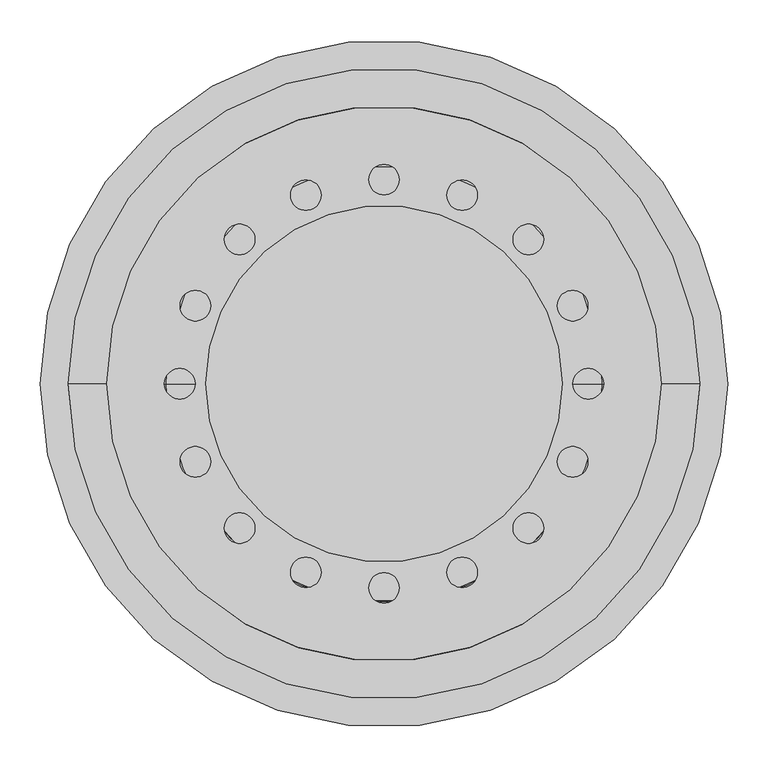
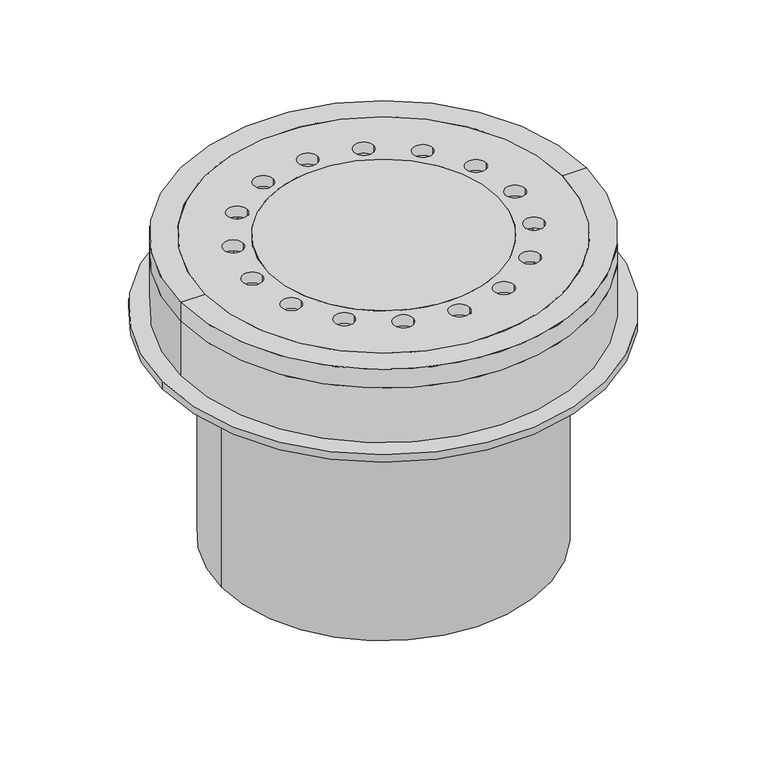
"""IFC4 building model written with IfcOpenShell, lengths in millimetres: proxy geometry."""

from ifc_helpers import new_model, si_unit, point, frame, frame_2d, origin, origin_2d, place, context, project, spatial, polyline, circle_curve, trimmed, segment, composite_curve, outline, extrude, source, transform, mapped, element, save
from ifc_brep_helpers import plane_surface, cylinder_surface, revolved_surface, advanced_brep


def specialty_equipment_1d14676d(model_context):
    return source(origin(), model_context, "Body", "SolidModel", [
        extrude(outline(composite_curve([segment(trimmed(circle_curve(origin_2d(), 427.5), [point((-427.5, 0.0))], [point((427.5, 0.0))], False, "CARTESIAN"), True, "CONTINUOUS"), segment(trimmed(circle_curve(origin_2d(), 427.5), [point((427.5, 0.0))], [point((-427.5, 0.0))], False, "CARTESIAN"), True, "CONTINUOUS")], self_intersect=False), holes=[composite_curve([segment(trimmed(circle_curve(origin_2d(), 300.0), [point((-300.0, 0.0))], [point((300.0, 0.0))], True, "CARTESIAN"), True, "CONTINUOUS"), segment(trimmed(circle_curve(origin_2d(), 300.0), [point((300.0, 0.0))], [point((-300.0, 0.0))], True, "CARTESIAN"), True, "CONTINUOUS")], self_intersect=False)]), frame((0.0, 0.0, -164.9500624), z_axis=(0.0, 0.0, 1.0), x_axis=(1.0, 0.0, 0.0)), (0.0, 0.0, 1.0), 14.9500624),
        extrude(outline(composite_curve([segment(trimmed(circle_curve(origin_2d(), 313.0), [point((-313.0, 0.0))], [point((313.0, 0.0))], False, "CARTESIAN"), True, "CONTINUOUS"), segment(trimmed(circle_curve(origin_2d(), 313.0), [point((313.0, 0.0))], [point((-313.0, 0.0))], False, "CARTESIAN"), True, "CONTINUOUS")], self_intersect=False), holes=[composite_curve([segment(trimmed(circle_curve(origin_2d(), 300.0), [point((-300.0, 0.0))], [point((300.0, 0.0))], True, "CARTESIAN"), True, "CONTINUOUS"), segment(trimmed(circle_curve(origin_2d(), 300.0), [point((300.0, 0.0))], [point((-300.0, 0.0))], True, "CARTESIAN"), True, "CONTINUOUS")], self_intersect=False)]), frame((0.0, 0.0, -610.0), z_axis=(0.0, 0.0, 1.0), x_axis=(1.0, 0.0, 0.0)), (0.0, 0.0, 1.0), 445.0499376),
        extrude(outline(composite_curve([segment(trimmed(circle_curve(origin_2d(), 427.5), [point((-427.5, 0.0))], [point((427.5, 0.0))], False, "CARTESIAN"), True, "CONTINUOUS"), segment(trimmed(circle_curve(origin_2d(), 427.5), [point((427.5, 0.0))], [point((-427.5, 0.0))], False, "CARTESIAN"), True, "CONTINUOUS")], self_intersect=False), holes=[composite_curve([segment(trimmed(circle_curve(origin_2d(), 300.0), [point((-300.0, 0.0))], [point((300.0, 0.0))], True, "CARTESIAN"), True, "CONTINUOUS"), segment(trimmed(circle_curve(origin_2d(), 300.0), [point((300.0, 0.0))], [point((-300.0, 0.0))], True, "CARTESIAN"), True, "CONTINUOUS")], self_intersect=False)]), frame((0.0, 0.0, -164.9500624), z_axis=(0.0, 0.0, 1.0), x_axis=(1.0, 0.0, 0.0)), (0.0, 0.0, 1.0), 14.9500624),
        extrude(outline(composite_curve([segment(trimmed(circle_curve(origin_2d(), 221.5), [point((-221.5, 0.0))], [point((221.5, 0.0))], False, "CARTESIAN"), True, "CONTINUOUS"), segment(trimmed(circle_curve(origin_2d(), 221.5), [point((221.5, 0.0))], [point((-221.5, 0.0))], False, "CARTESIAN"), True, "CONTINUOUS")], self_intersect=False)), frame((0.0, 0.0, -21.8781268), z_axis=(0.0, 0.0, 1.0), x_axis=(1.0, 0.0, 0.0)), (0.0, 0.0, 1.0), 21.8781268),
        extrude(outline(composite_curve([segment(trimmed(circle_curve(origin_2d(), 345.0), [point((-345.0, 0.0))], [point((345.0, 0.0))], False, "CARTESIAN"), True, "CONTINUOUS"), segment(trimmed(circle_curve(origin_2d(), 345.0), [point((345.0, 0.0))], [point((-345.0, 0.0))], False, "CARTESIAN"), True, "CONTINUOUS")], self_intersect=False), holes=[composite_curve([segment(trimmed(circle_curve(origin_2d(), 221.5), [point((-221.5, 0.0))], [point((221.5, 0.0))], True, "CARTESIAN"), True, "CONTINUOUS"), segment(trimmed(circle_curve(origin_2d(), 221.5), [point((221.5, 0.0))], [point((-221.5, 0.0))], True, "CARTESIAN"), True, "CONTINUOUS")], self_intersect=False), composite_curve([segment(trimmed(circle_curve(frame_2d((-254.0, 0.0)), 19.0), [point((-273.0, 0.0))], [point((-235.0, 0.0))], True, "CARTESIAN"), True, "CONTINUOUS"), segment(trimmed(circle_curve(frame_2d((-254.0, 0.0)), 19.0), [point((-235.0, 0.0))], [point((-273.0, 0.0))], True, "CARTESIAN"), True, "CONTINUOUS")], self_intersect=False), composite_curve([segment(trimmed(circle_curve(frame_2d((-234.6654013, 97.2015918)), 19.0), [point((-253.6654013, 97.2015918))], [point((-215.6654013, 97.2015918))], True, "CARTESIAN"), True, "CONTINUOUS"), segment(trimmed(circle_curve(frame_2d((-234.6654013, 97.2015918)), 19.0), [point((-215.6654013, 97.2015918))], [point((-253.6654013, 97.2015918))], True, "CARTESIAN"), True, "CONTINUOUS")], self_intersect=False), composite_curve([segment(trimmed(circle_curve(frame_2d((-179.6051224, 179.6051224)), 19.0), [point((-198.6051224, 179.6051224))], [point((-160.6051224, 179.6051224))], True, "CARTESIAN"), True, "CONTINUOUS"), segment(trimmed(circle_curve(frame_2d((-179.6051224, 179.6051224)), 19.0), [point((-160.6051224, 179.6051224))], [point((-198.6051224, 179.6051224))], True, "CARTESIAN"), True, "CONTINUOUS")], self_intersect=False), composite_curve([segment(trimmed(circle_curve(frame_2d((-234.6654013, -97.2015918)), 19.0), [point((-253.6654013, -97.2015918))], [point((-215.6654013, -97.2015918))], True, "CARTESIAN"), True, "CONTINUOUS"), segment(trimmed(circle_curve(frame_2d((-234.6654013, -97.2015918)), 19.0), [point((-215.6654013, -97.2015918))], [point((-253.6654013, -97.2015918))], True, "CARTESIAN"), True, "CONTINUOUS")], self_intersect=False), composite_curve([segment(trimmed(circle_curve(frame_2d((-179.6051224, -179.6051224)), 19.0), [point((-198.6051224, -179.6051224))], [point((-160.6051224, -179.6051224))], True, "CARTESIAN"), True, "CONTINUOUS"), segment(trimmed(circle_curve(frame_2d((-179.6051224, -179.6051224)), 19.0), [point((-160.6051224, -179.6051224))], [point((-198.6051224, -179.6051224))], True, "CARTESIAN"), True, "CONTINUOUS")], self_intersect=False), composite_curve([segment(trimmed(circle_curve(frame_2d((-97.2015918, -234.6654013)), 19.0), [point((-116.2015918, -234.6654013))], [point((-78.2015918, -234.6654013))], True, "CARTESIAN"), True, "CONTINUOUS"), segment(trimmed(circle_curve(frame_2d((-97.2015918, -234.6654013)), 19.0), [point((-78.2015918, -234.6654013))], [point((-116.2015918, -234.6654013))], True, "CARTESIAN"), True, "CONTINUOUS")], self_intersect=False), composite_curve([segment(trimmed(circle_curve(frame_2d((0.0, -254.0)), 19.0), [point((-19.0, -254.0))], [point((19.0, -254.0))], True, "CARTESIAN"), True, "CONTINUOUS"), segment(trimmed(circle_curve(frame_2d((0.0, -254.0)), 19.0), [point((19.0, -254.0))], [point((-19.0, -254.0))], True, "CARTESIAN"), True, "CONTINUOUS")], self_intersect=False), composite_curve([segment(trimmed(circle_curve(frame_2d((97.2015918, -234.6654013)), 19.0), [point((78.2015918, -234.6654013))], [point((116.2015918, -234.6654013))], True, "CARTESIAN"), True, "CONTINUOUS"), segment(trimmed(circle_curve(frame_2d((97.2015918, -234.6654013)), 19.0), [point((116.2015918, -234.6654013))], [point((78.2015918, -234.6654013))], True, "CARTESIAN"), True, "CONTINUOUS")], self_intersect=False), composite_curve([segment(trimmed(circle_curve(frame_2d((179.6051224, -179.6051224)), 19.0), [point((160.6051224, -179.6051224))], [point((198.6051224, -179.6051224))], True, "CARTESIAN"), True, "CONTINUOUS"), segment(trimmed(circle_curve(frame_2d((179.6051224, -179.6051224)), 19.0), [point((198.6051224, -179.6051224))], [point((160.6051224, -179.6051224))], True, "CARTESIAN"), True, "CONTINUOUS")], self_intersect=False), composite_curve([segment(trimmed(circle_curve(frame_2d((234.6654013, -97.2015918)), 19.0), [point((215.6654013, -97.2015918))], [point((253.6654013, -97.2015918))], True, "CARTESIAN"), True, "CONTINUOUS"), segment(trimmed(circle_curve(frame_2d((234.6654013, -97.2015918)), 19.0), [point((253.6654013, -97.2015918))], [point((215.6654013, -97.2015918))], True, "CARTESIAN"), True, "CONTINUOUS")], self_intersect=False), composite_curve([segment(trimmed(circle_curve(frame_2d((254.0, 0.0)), 19.0), [point((235.0, 0.0))], [point((273.0, 0.0))], True, "CARTESIAN"), True, "CONTINUOUS"), segment(trimmed(circle_curve(frame_2d((254.0, 0.0)), 19.0), [point((273.0, 0.0))], [point((235.0, 0.0))], True, "CARTESIAN"), True, "CONTINUOUS")], self_intersect=False), composite_curve([segment(trimmed(circle_curve(frame_2d((234.6654013, 97.2015918)), 19.0), [point((215.6654013, 97.2015918))], [point((253.6654013, 97.2015918))], True, "CARTESIAN"), True, "CONTINUOUS"), segment(trimmed(circle_curve(frame_2d((234.6654013, 97.2015918)), 19.0), [point((253.6654013, 97.2015918))], [point((215.6654013, 97.2015918))], True, "CARTESIAN"), True, "CONTINUOUS")], self_intersect=False), composite_curve([segment(trimmed(circle_curve(frame_2d((179.6051224, 179.6051224)), 19.0), [point((160.6051224, 179.6051224))], [point((198.6051224, 179.6051224))], True, "CARTESIAN"), True, "CONTINUOUS"), segment(trimmed(circle_curve(frame_2d((179.6051224, 179.6051224)), 19.0), [point((198.6051224, 179.6051224))], [point((160.6051224, 179.6051224))], True, "CARTESIAN"), True, "CONTINUOUS")], self_intersect=False), composite_curve([segment(trimmed(circle_curve(frame_2d((97.2015918, 234.6654013)), 19.0), [point((78.2015918, 234.6654013))], [point((116.2015918, 234.6654013))], True, "CARTESIAN"), True, "CONTINUOUS"), segment(trimmed(circle_curve(frame_2d((97.2015918, 234.6654013)), 19.0), [point((116.2015918, 234.6654013))], [point((78.2015918, 234.6654013))], True, "CARTESIAN"), True, "CONTINUOUS")], self_intersect=False), composite_curve([segment(trimmed(circle_curve(frame_2d((0.0, 254.0)), 19.0), [point((-19.0, 254.0))], [point((19.0, 254.0))], True, "CARTESIAN"), True, "CONTINUOUS"), segment(trimmed(circle_curve(frame_2d((0.0, 254.0)), 19.0), [point((19.0, 254.0))], [point((-19.0, 254.0))], True, "CARTESIAN"), True, "CONTINUOUS")], self_intersect=False), composite_curve([segment(trimmed(circle_curve(frame_2d((-97.2015918, 234.6654013)), 19.0), [point((-116.2015918, 234.6654013))], [point((-78.2015918, 234.6654013))], True, "CARTESIAN"), True, "CONTINUOUS"), segment(trimmed(circle_curve(frame_2d((-97.2015918, 234.6654013)), 19.0), [point((-78.2015918, 234.6654013))], [point((-116.2015918, 234.6654013))], True, "CARTESIAN"), True, "CONTINUOUS")], self_intersect=False)]), frame((0.0, 0.0, -21.8781268), z_axis=(0.0, 0.0, 1.0), x_axis=(1.0, 0.0, 0.0)), (0.0, 0.0, 1.0), 21.8781268),
        advanced_brep(
        [(0.0, 0.0, -233.7273458), (-275.0411357, 0.0, -233.7273458), (275.0411357, 0.0, -233.7273458), (298.3348498, 0.0, -146.7940215), (-298.3348498, 0.0, -146.7940215), (-293.1584688, 0.0, -146.7940215), (293.1584688, 0.0, -146.7940215), (271.2045008, 0.0, -228.7273458), (-271.2045008, 0.0, -228.7273458), (0.0, 0.0, -228.7273458)],
        [
            (0, 1),
            (1, 2, circle_curve(frame((0.0, 0.0, -233.7273458), z_axis=(0.0, 0.0, -1.0), x_axis=(-1.0, 0.0, 0.0)), 275.0411357)),
            (2, 0),
            (2, 1, circle_curve(frame((0.0, 0.0, -233.7273458), z_axis=(0.0, 0.0, -1.0), x_axis=(-1.0, 0.0, 0.0)), 275.0411357)),
            (3, 4, circle_curve(frame((0.0, 0.0, -146.7940215), z_axis=(0.0, 0.0, 1.0), x_axis=(-1.0, 0.0, 0.0)), 298.3348498)),
            (4, 5),
            (5, 6, circle_curve(frame((0.0, 0.0, -146.7940215), z_axis=(0.0, 0.0, -1.0), x_axis=(-1.0, 0.0, 0.0)), 293.1584688)),
            (6, 3),
            (4, 3, circle_curve(frame((0.0, 0.0, -146.7940215), z_axis=(0.0, 0.0, 1.0), x_axis=(-1.0, 0.0, 0.0)), 298.3348498)),
            (6, 5, circle_curve(frame((0.0, 0.0, -146.7940215), z_axis=(0.0, 0.0, -1.0), x_axis=(-1.0, 0.0, 0.0)), 293.1584688)),
            (1, 4),
            (3, 2),
            (7, 8, circle_curve(frame((0.0, 0.0, -228.7273458), z_axis=(0.0, 0.0, 1.0), x_axis=(-1.0, 0.0, 0.0)), 271.2045008)),
            (8, 9),
            (9, 7),
            (8, 7, circle_curve(frame((0.0, 0.0, -228.7273458), z_axis=(0.0, 0.0, 1.0), x_axis=(-1.0, 0.0, 0.0)), 271.2045008)),
            (5, 8),
            (7, 6),
        ],
        [
            plane_surface(frame((0.0, 0.0, -233.7273458), z_axis=(0.0, 0.0, -1.0), x_axis=(-1.0, 0.0, 0.0))),
            plane_surface(frame((0.0, 0.0, -146.7940215), z_axis=(0.0, 0.0, 1.0), x_axis=(-1.0, 0.0, 0.0))),
            revolved_surface(polyline([(-298.3348498, 0.0, -146.7940215), (-275.0411357, 0.0, -233.7273458)]), (0.0, 0.0, -273.7273458), (0.0, 0.0, -1.0)),
            plane_surface(frame((0.0, 0.0, -228.7273458), z_axis=(0.0, 0.0, 1.0), x_axis=(-1.0, 0.0, 0.0))),
            revolved_surface(polyline([(-271.2045008, 0.0, -228.7273458), (-293.1584688, 0.0, -146.7940215)]), (0.0, 0.0, -273.7273458), (0.0, 0.0, -1.0)),
        ],
        [
            (0, [[1, 2, 3]]),
            (0, [[-3, 4, -1]]),
            (1, [[5, 6, 7, 8]]),
            (1, [[9, -8, 10, -6]]),
            (2, [[-2, 11, -5, 12]]),
            (2, [[-4, -12, -9, -11]]),
            (3, [[13, 14, 15]]),
            (3, [[16, -15, -14]]),
            (4, [[-7, 17, -13, 18]]),
            (4, [[-10, -18, -16, -17]]),
        ],
    ),
        advanced_brep(
        [(392.5, 0.0, -38.0), (-392.5, 0.0, -38.0), (-392.5, 0.0, 0.0), (392.5, 0.0, 0.0), (345.414625, 0.0, -38.0), (-345.414625, 0.0, -38.0), (-345.414625, 0.0, 0.0), (345.414625, 0.0, 0.0)],
        [
            (0, 1, circle_curve(frame((0.0, 0.0, -38.0), z_axis=(0.0, 0.0, 1.0), x_axis=(-1.0, 0.0, 0.0)), 392.5)),
            (1, 2),
            (2, 3, circle_curve(frame((0.0, 0.0, 0.0), z_axis=(0.0, 0.0, -1.0), x_axis=(-1.0, 0.0, 0.0)), 392.5)),
            (3, 0),
            (1, 0, circle_curve(frame((0.0, 0.0, -38.0), z_axis=(0.0, 0.0, 1.0), x_axis=(-1.0, 0.0, 0.0)), 392.5)),
            (3, 2, circle_curve(frame((0.0, 0.0, 0.0), z_axis=(0.0, 0.0, -1.0), x_axis=(-1.0, 0.0, 0.0)), 392.5)),
            (4, 5, circle_curve(frame((0.0, 0.0, -38.0), z_axis=(0.0, 0.0, 1.0), x_axis=(-1.0, 0.0, 0.0)), 345.414625)),
            (5, 1),
            (0, 4),
            (5, 4, circle_curve(frame((0.0, 0.0, -38.0), z_axis=(0.0, 0.0, 1.0), x_axis=(-1.0, 0.0, 0.0)), 345.414625)),
            (2, 6),
            (6, 7, circle_curve(frame((0.0, 0.0, 0.0), z_axis=(0.0, 0.0, -1.0), x_axis=(-1.0, 0.0, 0.0)), 345.414625)),
            (7, 3),
            (7, 6, circle_curve(frame((0.0, 0.0, 0.0), z_axis=(0.0, 0.0, -1.0), x_axis=(-1.0, 0.0, 0.0)), 345.414625)),
            (6, 5),
            (4, 7),
        ],
        [
            cylinder_surface(frame((0.0, 0.0, 417.0), z_axis=(0.0, 0.0, -1.0), x_axis=(-1.0, 0.0, 0.0)), 392.5),
            plane_surface(frame((0.0, 0.0, -38.0), z_axis=(0.0, 0.0, -1.0), x_axis=(-1.0, 0.0, 0.0))),
            plane_surface(frame((0.0, 0.0, 0.0), z_axis=(0.0, 0.0, 1.0), x_axis=(-1.0, 0.0, 0.0))),
            revolved_surface(polyline([(-345.414625, 0.0, -38.0), (-345.414625, 0.0, 0.0)]), (0.0, 0.0, 417.0), (0.0, 0.0, -1.0)),
        ],
        [
            (0, [[1, 2, 3, 4]]),
            (0, [[5, -4, 6, -2]]),
            (1, [[7, 8, -1, 9]]),
            (1, [[10, -9, -5, -8]]),
            (2, [[-3, 11, 12, 13]]),
            (2, [[-6, -13, 14, -11]]),
            (3, [[-12, 15, -7, 16]]),
            (3, [[-14, -16, -10, -15]]),
        ],
    ),
        advanced_brep(
        [(392.5, 0.0, -150.0), (-392.5, 0.0, -150.0), (-392.5, 0.0, -38.0), (392.5, 0.0, -38.0), (313.9173801, 0.0, -150.0), (-313.9173801, 0.0, -150.0), (313.9173801, 0.0, -119.9866175), (-313.9173801, 0.0, -119.9866175), (328.9173801, 0.0, -119.9866175), (-328.9173801, 0.0, -119.9866175), (345.414625, 0.0, -38.0), (-345.414625, 0.0, -38.0)],
        [
            (0, 1, circle_curve(frame((0.0, 0.0, -150.0), z_axis=(0.0, 0.0, 1.0), x_axis=(-1.0, 0.0, 0.0)), 392.5)),
            (1, 2),
            (2, 3, circle_curve(frame((0.0, 0.0, -38.0), z_axis=(0.0, 0.0, -1.0), x_axis=(-1.0, 0.0, 0.0)), 392.5)),
            (3, 0),
            (1, 0, circle_curve(frame((0.0, 0.0, -150.0), z_axis=(0.0, 0.0, 1.0), x_axis=(-1.0, 0.0, 0.0)), 392.5)),
            (3, 2, circle_curve(frame((0.0, 0.0, -38.0), z_axis=(0.0, 0.0, -1.0), x_axis=(-1.0, 0.0, 0.0)), 392.5)),
            (4, 5, circle_curve(frame((0.0, 0.0, -150.0), z_axis=(0.0, 0.0, 1.0), x_axis=(-1.0, 0.0, 0.0)), 313.9173801)),
            (5, 1),
            (0, 4),
            (5, 4, circle_curve(frame((0.0, 0.0, -150.0), z_axis=(0.0, 0.0, 1.0), x_axis=(-1.0, 0.0, 0.0)), 313.9173801)),
            (6, 7, circle_curve(frame((0.0, 0.0, -119.9866175), z_axis=(0.0, 0.0, 1.0), x_axis=(-1.0, 0.0, 0.0)), 313.9173801)),
            (7, 5),
            (4, 6),
            (7, 6, circle_curve(frame((0.0, 0.0, -119.9866175), z_axis=(0.0, 0.0, 1.0), x_axis=(-1.0, 0.0, 0.0)), 313.9173801)),
            (8, 9, circle_curve(frame((0.0, 0.0, -119.9866175), z_axis=(0.0, 0.0, 1.0), x_axis=(-1.0, 0.0, 0.0)), 328.9173801)),
            (9, 7),
            (6, 8),
            (9, 8, circle_curve(frame((0.0, 0.0, -119.9866175), z_axis=(0.0, 0.0, 1.0), x_axis=(-1.0, 0.0, 0.0)), 328.9173801)),
            (10, 11, circle_curve(frame((0.0, 0.0, -38.0), z_axis=(0.0, 0.0, 1.0), x_axis=(-1.0, 0.0, 0.0)), 345.414625)),
            (11, 9),
            (8, 10),
            (11, 10, circle_curve(frame((0.0, 0.0, -38.0), z_axis=(0.0, 0.0, 1.0), x_axis=(-1.0, 0.0, 0.0)), 345.414625)),
            (2, 11),
            (10, 3),
        ],
        [
            cylinder_surface(frame((0.0, 0.0, 340.0), z_axis=(0.0, 0.0, -1.0), x_axis=(-1.0, 0.0, 0.0)), 392.5),
            plane_surface(frame((0.0, 0.0, -150.0), z_axis=(0.0, 0.0, -1.0), x_axis=(-1.0, 0.0, 0.0))),
            revolved_surface(polyline([(-313.9173801, 0.0, -150.0), (-313.9173801, 0.0, -119.98661749999997)]), (0.0, 0.0, 340.0), (0.0, 0.0, -1.0)),
            plane_surface(frame((0.0, 0.0, -119.9866175), z_axis=(0.0, 0.0, 1.0), x_axis=(-1.0, 0.0, 0.0))),
            revolved_surface(polyline([(-328.9173801, 0.0, -119.9866175), (-345.414625, 0.0, -38.0)]), (0.0, 0.0, 340.0), (0.0, 0.0, -1.0)),
            plane_surface(frame((0.0, 0.0, -38.0), z_axis=(0.0, 0.0, 1.0), x_axis=(-1.0, 0.0, 0.0))),
        ],
        [
            (0, [[1, 2, 3, 4]]),
            (0, [[5, -4, 6, -2]]),
            (1, [[7, 8, -1, 9]]),
            (1, [[10, -9, -5, -8]]),
            (2, [[11, 12, -7, 13]]),
            (2, [[14, -13, -10, -12]]),
            (3, [[15, 16, -11, 17]]),
            (3, [[18, -17, -14, -16]]),
            (4, [[19, 20, -15, 21]]),
            (4, [[22, -21, -18, -20]]),
            (5, [[-3, 23, -19, 24]]),
            (5, [[-6, -24, -22, -23]]),
        ],
    ),
        extrude(outline(polyline([(0.0, 0.0), (103.6001835, 0.0), (97.7366644, -23.939106), (0.0, 0.0)])), frame((-395.4623133, -121.3292977, -164.9500624), z_axis=(-0.2817325568411387, 0.959492973614583, 0.0), x_axis=(0.9319450222341505, 0.27364374848967477, -0.2379024473298002)), (0.0, 0.0, 1.0), 10.0),
        extrude(outline(polyline([(100.6257242, 0.0), (0.0, -24.6467372), (0.0, 0.0), (100.6257242, 0.0)])), frame((-201.1926619, -239.8239204, -164.9500624), z_axis=(-0.7557495743540761, 0.6548607339454953, 0.0), x_axis=(-0.6548607339454953, -0.7557495743540761, 0.0)), (0.0, 0.0, 1.0), 10.0),
        extrude(outline(polyline([(42.0990731, 0.0), (42.0990731, -100.6257242), (17.0491355, 0.0), (42.0990731, 0.0)])), frame((-260.6091517, -173.4268435, -207.0491355), z_axis=(-0.5406408174553543, 0.8412535328313376, 0.0), x_axis=(0.0, 0.0, 1.0)), (0.0, 0.0, 1.0), 10.0),
        extrude(outline(polyline([(42.0990731, 0.0), (42.0990731, -100.6257242), (17.0491355, 0.0), (42.0990731, 0.0)])), frame((-125.4767391, -286.7918896, -207.0491355), z_axis=(-0.9096319953544103, 0.41541501300212325, 0.0), x_axis=(0.0, 0.0, 1.0)), (0.0, 0.0, 1.0), 10.0),
        extrude(outline(polyline([(0.0, 0.0), (103.6001836, 0.0), (97.7366645, -23.9391061), (0.0, 0.0)])), frame((-53.9159708, -410.127185, -164.9500624), z_axis=(-0.989821441880898, 0.14231483827352703, 0.0), x_axis=(0.1382288445734335, 0.9614027314722929, -0.23790244732979932)), (0.0, 0.0, 1.0), 10.0),
        extrude(outline(polyline([(-164.9500624, 413.6257242), (-164.9500624, 313.0), (-189.5967996, 313.0), (-164.9500624, 413.6257242)])), frame((0.0, -5.0, 0.0), z_axis=(0.0, 1.0, 0.0), x_axis=(0.0, 0.0, 1.0)), (0.0, 0.0, 1.0), 10.0),
        extrude(outline(polyline([(-42.0990731, 0.0), (-17.0491355, 0.0), (-42.0990731, -100.6257243), (-42.0990731, 0.0)])), frame((301.7299635, 83.3848254, -207.0491355), z_axis=(-0.2817325568412944, 0.9594929736145372, 0.0), x_axis=(0.0, 0.0, -1.0)), (0.0, 0.0, 1.0), 10.0),
        extrude(outline(polyline([(0.0, 0.0), (-97.7366644, -23.9391061), (-103.6001835, 0.0), (0.0, 0.0)])), frame((350.6673059, 219.416682, -164.9500624), z_axis=(-0.5406408174554922, 0.8412535328312489, 0.0), x_axis=(0.8171003477029112, 0.5251185078991913, 0.23790244732980065)), (0.0, 0.0, 1.0), 10.0),
        extrude(outline(polyline([(0.0, 0.0), (-97.7366644, -23.9391061), (-103.6001835, 0.0), (0.0, 0.0)])), frame((345.2608977, -227.8292173, -164.9500624), z_axis=(0.5406408174557529, 0.8412535328310813, 0.0), x_axis=(0.8171003477027488, -0.5251185078994447, 0.23790244732979948)), (0.0, 0.0, 1.0), 10.0),
        extrude(outline(polyline([(0.0, 0.0), (0.0, -25.0499376), (-100.6257241, 0.0), (0.0, 0.0)])), frame((298.912638, -92.9797552, -164.9500624), z_axis=(0.28173255684159587, 0.9594929736144486, 0.0), x_axis=(-0.9594929736144486, 0.28173255684159587, 0.0)), (0.0, 0.0, 1.0), 10.0),
        extrude(outline(polyline([(0.0, 0.0), (0.0, -25.0499376), (-100.6257242, 0.0), (0.0, 0.0)])), frame((201.1926619, -239.8239204, -164.9500624), z_axis=(0.7557495743543907, 0.6548607339451322, 0.0), x_axis=(-0.6548607339451322, 0.7557495743543907, 0.0)), (0.0, 0.0, 1.0), 10.0),
        extrude(outline(polyline([(-100.6257242, 0.0), (0.0, 0.0), (0.0, -24.6467372), (-100.6257242, 0.0)])), frame((125.4767391, -286.7918896, -164.9500624), z_axis=(0.9096319953546089, 0.4154150130016881, 0.0), x_axis=(-0.4154150130016881, 0.9096319953546089, 0.0)), (0.0, 0.0, 1.0), 10.0),
        extrude(outline(polyline([(-42.0990731, 0.0), (-17.0491355, 0.0), (-42.0990731, -100.6257243), (-42.0990731, 0.0)])), frame((39.5954372, -310.5256855, -207.0491355), z_axis=(0.9898214418809654, 0.14231483827305813, 0.0), x_axis=(0.0, 0.0, -1.0)), (0.0, 0.0, 1.0), 10.0),
        extrude(outline(polyline([(0.0, 0.0), (103.6001836, 0.0), (97.7366645, -23.9391061), (0.0, 0.0)])), frame((-63.8141853, 408.7040366, -164.9500624), z_axis=(0.9898214418809428, 0.1423148382732152, 0.0), x_axis=(0.13822884457313062, -0.9614027314723362, -0.23790244732980018)), (0.0, 0.0, 1.0), 10.0),
        extrude(outline(polyline([(0.0, 0.0), (0.0, -25.0499376), (-100.6257243, 0.0), (0.0, 0.0)])), frame((49.4936516, 309.1025371, -164.9500624), z_axis=(-0.9898214418809201, 0.1423148382733727, 0.0), x_axis=(-0.1423148382733727, -0.9898214418809201, 0.0)), (0.0, 0.0, 1.0), 10.0),
        extrude(outline(polyline([(-100.6257242, 0.0), (0.0, 0.0), (0.0, -24.6467372), (-100.6257242, 0.0)])), frame((134.573059, 282.6377395, -164.9500624), z_axis=(-0.909631995354475, 0.41541501300198136, 0.0), x_axis=(-0.41541501300198136, -0.909631995354475, 0.0)), (0.0, 0.0, 1.0), 10.0),
        extrude(outline(polyline([(-42.0990731, 0.0), (-17.0491355, 0.0), (-42.0990731, -100.6257242), (-42.0990731, 0.0)])), frame((208.7501576, 233.2753131, -207.0491355), z_axis=(-0.7557495743541826, 0.6548607339453725, 0.0), x_axis=(0.0, 0.0, -1.0)), (0.0, 0.0, 1.0), 10.0),
        extrude(outline(polyline([(100.6257242, 0.0), (0.0, -24.6467372), (0.0, 0.0), (100.6257242, 0.0)])), frame((-208.7501576, 233.2753131, -164.9500624), z_axis=(0.7557495743542878, 0.6548607339452511, 0.0), x_axis=(-0.6548607339452511, 0.7557495743542878, 0.0)), (0.0, 0.0, 1.0), 10.0),
        extrude(outline(polyline([(42.0990731, 0.0), (42.0990731, -100.6257242), (17.0491355, 0.0), (42.0990731, 0.0)])), frame((-134.573059, 282.6377395, -207.0491355), z_axis=(0.9096319953545418, 0.41541501300183514, 0.0), x_axis=(0.0, 0.0, 1.0)), (0.0, 0.0, 1.0), 10.0),
        extrude(outline(polyline([(42.0990731, 0.0), (42.0990731, -100.6257242), (17.0491355, 0.0), (42.0990731, 0.0)])), frame((-266.0155599, 165.0143082, -207.0491355), z_axis=(0.5406408174556205, 0.8412535328311666, 0.0), x_axis=(0.0, 0.0, 1.0)), (0.0, 0.0, 1.0), 10.0),
        extrude(outline(composite_curve([segment(trimmed(circle_curve(origin_2d(), 313.0), [point((-260.5755532, -173.4052511))], [point((-208.7240033, -233.2451295))], True, "CARTESIAN"), True, "CONTINUOUS"), segment(polyline([(-208.7240033, -233.2451295), (-225.0974564, -252.1411016)]), True, "CONTINUOUS"), segment(trimmed(circle_curve(origin_2d(), 338.0), [point((-225.0974564, -252.1411016))], [point((-281.6093769, -186.9228688))], False, "CARTESIAN"), True, "CONTINUOUS"), segment(polyline([(-281.6093769, -186.9228688), (-260.5755532, -173.4052511)]), True, "CONTINUOUS")], self_intersect=False)), frame((0.0, 0.0, -169.9500624), z_axis=(0.0, 0.0, 1.0), x_axis=(1.0, 0.0, 0.0)), (0.0, 0.0, 1.0), 5.0),
        extrude(outline(composite_curve([segment(polyline([(-265.9819613, -164.9927157), (-287.015785, -178.5103334)]), True, "CONTINUOUS"), segment(trimmed(circle_curve(origin_2d(), 338.0), [point((-287.015785, -178.5103334))], [point((-322.8644761, -100.0126494))], False, "CARTESIAN"), True, "CONTINUOUS"), segment(polyline([(-322.8644761, -100.0126494), (-298.8743171, -92.9685031)]), True, "CONTINUOUS"), segment(trimmed(circle_curve(origin_2d(), 313.0), [point((-298.8743171, -92.9685031))], [point((-265.9819613, -164.9927157))], True, "CARTESIAN"), True, "CONTINUOUS")], self_intersect=False)), frame((0.0, 0.0, -169.9500624), z_axis=(0.0, 0.0, 1.0), x_axis=(1.0, 0.0, 0.0)), (0.0, 0.0, 1.0), 5.0),
        extrude(outline(composite_curve([segment(polyline([(-312.9600613, 5.0), (-337.9630157, 5.0)]), True, "CONTINUOUS"), segment(trimmed(circle_curve(origin_2d(), 338.0), [point((-337.9630157, 5.0))], [point((-325.6818017, 90.4177197))], False, "CARTESIAN"), True, "CONTINUOUS"), segment(polyline([(-325.6818017, 90.4177197), (-301.6916427, 83.3735734)]), True, "CONTINUOUS"), segment(trimmed(circle_curve(origin_2d(), 313.0), [point((-301.6916427, 83.3735734))], [point((-312.9600613, 5.0))], True, "CARTESIAN"), True, "CONTINUOUS")], self_intersect=False)), frame((0.0, 0.0, -169.9500624), z_axis=(0.0, 0.0, 1.0), x_axis=(1.0, 0.0, 0.0)), (0.0, 0.0, 1.0), 5.0),
        extrude(outline(composite_curve([segment(trimmed(circle_curve(origin_2d(), 313.0), [point((-312.9600613, -5.0))], [point((-301.6916427, -83.3735734))], True, "CARTESIAN"), True, "CONTINUOUS"), segment(polyline([(-301.6916427, -83.3735734), (-325.6818017, -90.4177197)]), True, "CONTINUOUS"), segment(trimmed(circle_curve(origin_2d(), 338.0), [point((-325.6818017, -90.4177197))], [point((-337.9630157, -5.0))], False, "CARTESIAN"), True, "CONTINUOUS"), segment(polyline([(-337.9630157, -5.0), (-312.9600613, -5.0)]), True, "CONTINUOUS")], self_intersect=False)), frame((0.0, 0.0, -169.9500624), z_axis=(0.0, 0.0, 1.0), x_axis=(1.0, 0.0, 0.0)), (0.0, 0.0, 1.0), 5.0),
        extrude(outline(composite_curve([segment(trimmed(circle_curve(origin_2d(), 313.0), [point((-265.9819613, 164.9927157))], [point((-298.8743171, 92.9685031))], True, "CARTESIAN"), True, "CONTINUOUS"), segment(polyline([(-298.8743171, 92.9685031), (-322.8644761, 100.0126494)]), True, "CONTINUOUS"), segment(trimmed(circle_curve(origin_2d(), 338.0), [point((-322.8644761, 100.0126494))], [point((-287.015785, 178.5103334))], False, "CARTESIAN"), True, "CONTINUOUS"), segment(polyline([(-287.015785, 178.5103334), (-265.9819613, 164.9927157)]), True, "CONTINUOUS")], self_intersect=False)), frame((0.0, 0.0, -169.9500624), z_axis=(0.0, 0.0, 1.0), x_axis=(1.0, 0.0, 0.0)), (0.0, 0.0, 1.0), 5.0),
        extrude(outline(composite_curve([segment(polyline([(-260.5755532, 173.4052511), (-281.6093769, 186.9228688)]), True, "CONTINUOUS"), segment(trimmed(circle_curve(origin_2d(), 338.0), [point((-281.6093769, 186.9228688))], [point((-225.0974564, 252.1411016))], False, "CARTESIAN"), True, "CONTINUOUS"), segment(polyline([(-225.0974564, 252.1411016), (-208.7240033, 233.2451295)]), True, "CONTINUOUS"), segment(trimmed(circle_curve(origin_2d(), 313.0), [point((-208.7240033, 233.2451295))], [point((-260.5755532, 173.4052511))], True, "CARTESIAN"), True, "CONTINUOUS")], self_intersect=False)), frame((0.0, 0.0, -169.9500624), z_axis=(0.0, 0.0, 1.0), x_axis=(1.0, 0.0, 0.0)), (0.0, 0.0, 1.0), 5.0),
        extrude(outline(composite_curve([segment(polyline([(208.7240033, 233.2451295), (225.0974564, 252.1411016)]), True, "CONTINUOUS"), segment(trimmed(circle_curve(origin_2d(), 338.0), [point((225.0974564, 252.1411016))], [point((281.6093769, 186.9228688))], False, "CARTESIAN"), True, "CONTINUOUS"), segment(polyline([(281.6093769, 186.9228688), (260.5755532, 173.4052511)]), True, "CONTINUOUS"), segment(trimmed(circle_curve(origin_2d(), 313.0), [point((260.5755532, 173.4052511))], [point((208.7240033, 233.2451295))], True, "CARTESIAN"), True, "CONTINUOUS")], self_intersect=False)), frame((0.0, 0.0, -169.9500624), z_axis=(0.0, 0.0, 1.0), x_axis=(1.0, 0.0, 0.0)), (0.0, 0.0, 1.0), 5.0),
        extrude(outline(composite_curve([segment(trimmed(circle_curve(origin_2d(), 313.0), [point((201.1665076, 239.7937368))], [point((134.5564679, 282.60141))], True, "CARTESIAN"), True, "CONTINUOUS"), segment(polyline([(134.5564679, 282.60141), (144.9430705, 305.3448973)]), True, "CONTINUOUS"), segment(trimmed(circle_curve(origin_2d(), 338.0), [point((144.9430705, 305.3448973))], [point((217.5399607, 258.689709))], False, "CARTESIAN"), True, "CONTINUOUS"), segment(polyline([(217.5399607, 258.689709), (201.1665076, 239.7937368)]), True, "CONTINUOUS")], self_intersect=False)), frame((0.0, 0.0, -169.9500624), z_axis=(0.0, 0.0, 1.0), x_axis=(1.0, 0.0, 0.0)), (0.0, 0.0, 1.0), 5.0),
        extrude(outline(composite_curve([segment(trimmed(circle_curve(origin_2d(), 313.0), [point((39.5897533, 310.4861534))], [point((-39.5897533, 310.4861534))], True, "CARTESIAN"), True, "CONTINUOUS"), segment(polyline([(-39.5897533, 310.4861534), (-43.1480447, 335.2346137)]), True, "CONTINUOUS"), segment(trimmed(circle_curve(origin_2d(), 338.0), [point((-43.1480447, 335.2346137))], [point((43.1480447, 335.2346137))], False, "CARTESIAN"), True, "CONTINUOUS"), segment(polyline([(43.1480447, 335.2346137), (39.5897533, 310.4861534)]), True, "CONTINUOUS")], self_intersect=False)), frame((0.0, 0.0, -169.9500624), z_axis=(0.0, 0.0, 1.0), x_axis=(1.0, 0.0, 0.0)), (0.0, 0.0, 1.0), 5.0),
        extrude(outline(composite_curve([segment(polyline([(49.4879677, 309.063005), (53.0462591, 333.8114653)]), True, "CONTINUOUS"), segment(trimmed(circle_curve(origin_2d(), 338.0), [point((53.0462591, 333.8114653))], [point((135.8467506, 309.4990474))], False, "CARTESIAN"), True, "CONTINUOUS"), segment(polyline([(135.8467506, 309.4990474), (125.460148, 286.7555601)]), True, "CONTINUOUS"), segment(trimmed(circle_curve(origin_2d(), 313.0), [point((125.460148, 286.7555601))], [point((49.4879677, 309.063005))], True, "CARTESIAN"), True, "CONTINUOUS")], self_intersect=False)), frame((0.0, 0.0, -169.9500624), z_axis=(0.0, 0.0, 1.0), x_axis=(1.0, 0.0, 0.0)), (0.0, 0.0, 1.0), 5.0),
        extrude(outline(composite_curve([segment(polyline([(-125.460148, 286.7555601), (-135.8467506, 309.4990474)]), True, "CONTINUOUS"), segment(trimmed(circle_curve(origin_2d(), 338.0), [point((-135.8467506, 309.4990474))], [point((-53.0462591, 333.8114653))], False, "CARTESIAN"), True, "CONTINUOUS"), segment(polyline([(-53.0462591, 333.8114653), (-49.4879677, 309.063005)]), True, "CONTINUOUS"), segment(trimmed(circle_curve(origin_2d(), 313.0), [point((-49.4879677, 309.063005))], [point((-125.460148, 286.7555601))], True, "CARTESIAN"), True, "CONTINUOUS")], self_intersect=False)), frame((0.0, 0.0, -169.9500624), z_axis=(0.0, 0.0, 1.0), x_axis=(1.0, 0.0, 0.0)), (0.0, 0.0, 1.0), 5.0),
        extrude(outline(composite_curve([segment(trimmed(circle_curve(origin_2d(), 313.0), [point((-134.5564679, 282.60141))], [point((-201.1665076, 239.7937368))], True, "CARTESIAN"), True, "CONTINUOUS"), segment(polyline([(-201.1665076, 239.7937368), (-217.5399607, 258.689709)]), True, "CONTINUOUS"), segment(trimmed(circle_curve(origin_2d(), 338.0), [point((-217.5399607, 258.689709))], [point((-144.9430705, 305.3448973))], False, "CARTESIAN"), True, "CONTINUOUS"), segment(polyline([(-144.9430705, 305.3448973), (-134.5564679, 282.60141)]), True, "CONTINUOUS")], self_intersect=False)), frame((0.0, 0.0, -169.9500624), z_axis=(0.0, 0.0, 1.0), x_axis=(1.0, 0.0, 0.0)), (0.0, 0.0, 1.0), 5.0),
        extrude(outline(composite_curve([segment(trimmed(circle_curve(origin_2d(), 313.0), [point((298.8743171, 92.9685031))], [point((265.9819613, 164.9927157))], True, "CARTESIAN"), True, "CONTINUOUS"), segment(polyline([(265.9819613, 164.9927157), (287.015785, 178.5103334)]), True, "CONTINUOUS"), segment(trimmed(circle_curve(origin_2d(), 338.0), [point((287.015785, 178.5103334))], [point((322.8644761, 100.0126494))], False, "CARTESIAN"), True, "CONTINUOUS"), segment(polyline([(322.8644761, 100.0126494), (298.8743171, 92.9685031)]), True, "CONTINUOUS")], self_intersect=False)), frame((0.0, 0.0, -169.9500624), z_axis=(0.0, 0.0, 1.0), x_axis=(1.0, 0.0, 0.0)), (0.0, 0.0, 1.0), 5.0),
        extrude(outline(composite_curve([segment(polyline([(301.6916427, 83.3735734), (325.6818017, 90.4177197)]), True, "CONTINUOUS"), segment(trimmed(circle_curve(origin_2d(), 338.0), [point((325.6818017, 90.4177197))], [point((337.9630157, 5.0))], False, "CARTESIAN"), True, "CONTINUOUS"), segment(polyline([(337.9630157, 5.0), (312.9600613, 5.0)]), True, "CONTINUOUS"), segment(trimmed(circle_curve(origin_2d(), 313.0), [point((312.9600613, 5.0))], [point((301.6916427, 83.3735734))], True, "CARTESIAN"), True, "CONTINUOUS")], self_intersect=False)), frame((0.0, 0.0, -169.9500624), z_axis=(0.0, 0.0, 1.0), x_axis=(1.0, 0.0, 0.0)), (0.0, 0.0, 1.0), 5.0),
        extrude(outline(composite_curve([segment(polyline([(298.8743171, -92.9685031), (322.8644761, -100.0126494)]), True, "CONTINUOUS"), segment(trimmed(circle_curve(origin_2d(), 338.0), [point((322.8644761, -100.0126494))], [point((287.015785, -178.5103334))], False, "CARTESIAN"), True, "CONTINUOUS"), segment(polyline([(287.015785, -178.5103334), (265.9819613, -164.9927157)]), True, "CONTINUOUS"), segment(trimmed(circle_curve(origin_2d(), 313.0), [point((265.9819613, -164.9927157))], [point((298.8743171, -92.9685031))], True, "CARTESIAN"), True, "CONTINUOUS")], self_intersect=False)), frame((0.0, 0.0, -169.9500624), z_axis=(0.0, 0.0, 1.0), x_axis=(1.0, 0.0, 0.0)), (0.0, 0.0, 1.0), 5.0),
        extrude(outline(composite_curve([segment(trimmed(circle_curve(origin_2d(), 313.0), [point((301.6916427, -83.3735734))], [point((312.9600613, -5.0))], True, "CARTESIAN"), True, "CONTINUOUS"), segment(polyline([(312.9600613, -5.0), (337.9630157, -5.0)]), True, "CONTINUOUS"), segment(trimmed(circle_curve(origin_2d(), 338.0), [point((337.9630157, -5.0))], [point((325.6818017, -90.4177197))], False, "CARTESIAN"), True, "CONTINUOUS"), segment(polyline([(325.6818017, -90.4177197), (301.6916427, -83.3735734)]), True, "CONTINUOUS")], self_intersect=False)), frame((0.0, 0.0, -169.9500624), z_axis=(0.0, 0.0, 1.0), x_axis=(1.0, 0.0, 0.0)), (0.0, 0.0, 1.0), 5.0),
        extrude(outline(composite_curve([segment(trimmed(circle_curve(origin_2d(), 313.0), [point((208.7240033, -233.2451295))], [point((260.5755532, -173.4052511))], True, "CARTESIAN"), True, "CONTINUOUS"), segment(polyline([(260.5755532, -173.4052511), (281.6093769, -186.9228688)]), True, "CONTINUOUS"), segment(trimmed(circle_curve(origin_2d(), 338.0), [point((281.6093769, -186.9228688))], [point((225.0974564, -252.1411016))], False, "CARTESIAN"), True, "CONTINUOUS"), segment(polyline([(225.0974564, -252.1411016), (208.7240033, -233.2451295)]), True, "CONTINUOUS")], self_intersect=False)), frame((0.0, 0.0, -169.9500624), z_axis=(0.0, 0.0, 1.0), x_axis=(1.0, 0.0, 0.0)), (0.0, 0.0, 1.0), 5.0),
        extrude(outline(composite_curve([segment(polyline([(201.1665076, -239.7937368), (217.5399607, -258.689709)]), True, "CONTINUOUS"), segment(trimmed(circle_curve(origin_2d(), 338.0), [point((217.5399607, -258.689709))], [point((144.9430705, -305.3448973))], False, "CARTESIAN"), True, "CONTINUOUS"), segment(polyline([(144.9430705, -305.3448973), (134.5564679, -282.60141)]), True, "CONTINUOUS"), segment(trimmed(circle_curve(origin_2d(), 313.0), [point((134.5564679, -282.60141))], [point((201.1665076, -239.7937368))], True, "CARTESIAN"), True, "CONTINUOUS")], self_intersect=False)), frame((0.0, 0.0, -169.9500624), z_axis=(0.0, 0.0, 1.0), x_axis=(1.0, 0.0, 0.0)), (0.0, 0.0, 1.0), 5.0),
        extrude(outline(composite_curve([segment(trimmed(circle_curve(origin_2d(), 313.0), [point((-125.460148, -286.7555601))], [point((-49.4879677, -309.063005))], True, "CARTESIAN"), True, "CONTINUOUS"), segment(polyline([(-49.4879677, -309.063005), (-53.0462591, -333.8114653)]), True, "CONTINUOUS"), segment(trimmed(circle_curve(origin_2d(), 338.0), [point((-53.0462591, -333.8114653))], [point((-135.8467506, -309.4990474))], False, "CARTESIAN"), True, "CONTINUOUS"), segment(polyline([(-135.8467506, -309.4990474), (-125.460148, -286.7555601)]), True, "CONTINUOUS")], self_intersect=False)), frame((0.0, 0.0, -169.9500624), z_axis=(0.0, 0.0, 1.0), x_axis=(1.0, 0.0, 0.0)), (0.0, 0.0, 1.0), 5.0),
        extrude(outline(composite_curve([segment(polyline([(-134.5564679, -282.60141), (-144.9430705, -305.3448973)]), True, "CONTINUOUS"), segment(trimmed(circle_curve(origin_2d(), 338.0), [point((-144.9430705, -305.3448973))], [point((-217.5399607, -258.689709))], False, "CARTESIAN"), True, "CONTINUOUS"), segment(polyline([(-217.5399607, -258.689709), (-201.1665076, -239.7937368)]), True, "CONTINUOUS"), segment(trimmed(circle_curve(origin_2d(), 313.0), [point((-201.1665076, -239.7937368))], [point((-134.5564679, -282.60141))], True, "CARTESIAN"), True, "CONTINUOUS")], self_intersect=False)), frame((0.0, 0.0, -169.9500624), z_axis=(0.0, 0.0, 1.0), x_axis=(1.0, 0.0, 0.0)), (0.0, 0.0, 1.0), 5.0),
        extrude(outline(composite_curve([segment(polyline([(39.5897533, -310.4861534), (43.1480447, -335.2346137)]), True, "CONTINUOUS"), segment(trimmed(circle_curve(origin_2d(), 338.0), [point((43.1480447, -335.2346137))], [point((-43.1480447, -335.2346137))], False, "CARTESIAN"), True, "CONTINUOUS"), segment(polyline([(-43.1480447, -335.2346137), (-39.5897533, -310.4861534)]), True, "CONTINUOUS"), segment(trimmed(circle_curve(origin_2d(), 313.0), [point((-39.5897533, -310.4861534))], [point((39.5897533, -310.4861534))], True, "CARTESIAN"), True, "CONTINUOUS")], self_intersect=False)), frame((0.0, 0.0, -169.9500624), z_axis=(0.0, 0.0, 1.0), x_axis=(1.0, 0.0, 0.0)), (0.0, 0.0, 1.0), 5.0),
        extrude(outline(composite_curve([segment(trimmed(circle_curve(origin_2d(), 313.0), [point((49.4879677, -309.063005))], [point((125.460148, -286.7555601))], True, "CARTESIAN"), True, "CONTINUOUS"), segment(polyline([(125.460148, -286.7555601), (135.8467506, -309.4990474)]), True, "CONTINUOUS"), segment(trimmed(circle_curve(origin_2d(), 338.0), [point((135.8467506, -309.4990474))], [point((53.0462591, -333.8114653))], False, "CARTESIAN"), True, "CONTINUOUS"), segment(polyline([(53.0462591, -333.8114653), (49.4879677, -309.063005)]), True, "CONTINUOUS")], self_intersect=False)), frame((0.0, 0.0, -169.9500624), z_axis=(0.0, 0.0, 1.0), x_axis=(1.0, 0.0, 0.0)), (0.0, 0.0, 1.0), 5.0),
        extrude(outline(polyline([(0.0, 0.0), (103.6001836, 0.0), (97.7366645, -23.9391061), (0.0, 0.0)])), frame((-398.2796389, 111.734368, -164.9500624), z_axis=(0.2817325568414406, 0.9594929736144941, 0.0), x_axis=(0.9319450222340642, -0.273643748489968, -0.23790244732980098)), (0.0, 0.0, 1.0), 10.0),
        extrude(outline(polyline([(-164.9500624, -313.0), (-164.9500624, -413.6257242), (-190.0, -313.0), (-164.9500624, -313.0)])), frame((0.0, -5.0, 0.0), z_axis=(0.0, 1.0, 0.0), x_axis=(0.0, 0.0, 1.0)), (0.0, 0.0, 1.0), 10.0),
    ])


if __name__ == "__main__":
    model = new_model("IFC4")
    model_context = context("Model", 3, world=origin())
    ifc_project = project(units=[si_unit("LENGTHUNIT", "METRE", prefix="MILLI")], contexts=[model_context])
    site = spatial("IfcSite", under=ifc_project)
    building = spatial("IfcBuilding", under=site)
    placement = place(None, origin())
    specialty_equipment_shape = specialty_equipment_1d14676d(model_context)
    element("IfcBuildingElementProxy", 1, Name="Specialty Equipment", at=placement, inside=building, context=model_context, shape_type="MappedRepresentation", body=[
        mapped(specialty_equipment_shape, transform((0.0, 0.0, 0.0), x_axis=(1.0, 0.0, 0.0), y_axis=(0.0, 1.0, 0.0), z_axis=(0.0, 0.0, 1.0))),
    ])
    save(model, "model.ifc")
